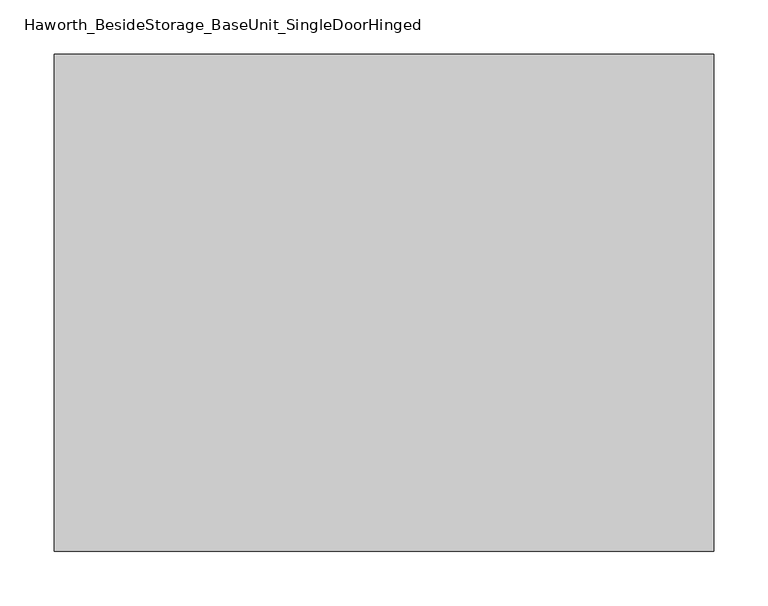
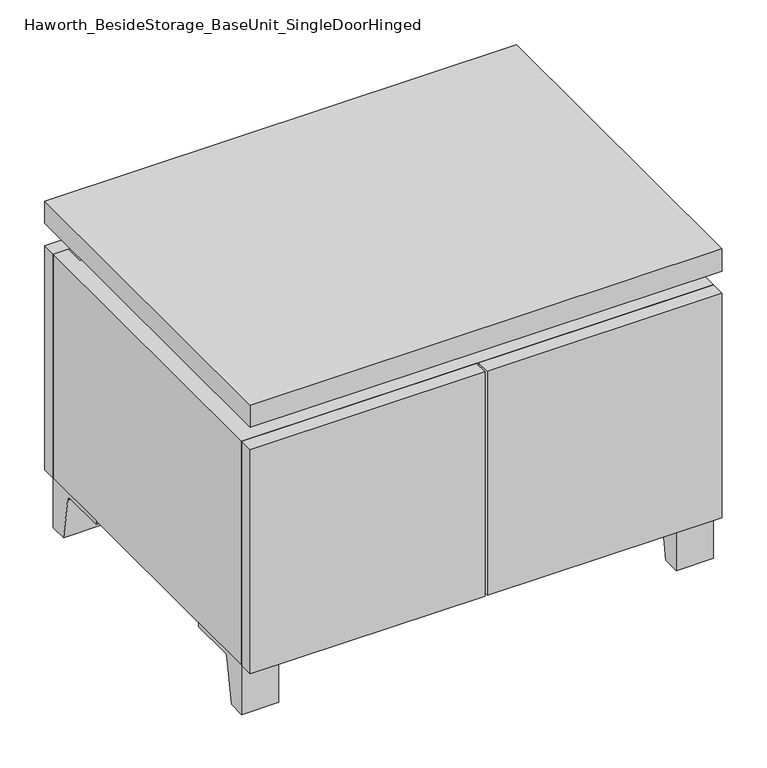
"""IFC4 building model written with IfcOpenShell, lengths in millimetres: furniture geometry, Haworth_BesideStorage_BaseUnit_SingleDoorHinged."""

from ifc_helpers import new_model, si_unit, point, frame, frame_2d, origin, place, context, project, spatial, polyline, circle_curve, trimmed, segment, composite_curve, outline, extrude, faceted_brep, source, transform, mapped, element, save


def haworth_besidestorage_baseunit_singledoorhinged_61084fc2(model_context):
    return source(origin(), model_context, "Body", "SolidModel", [
        extrude(outline(composite_curve([segment(polyline([(-129.6458469, 0.0), (-152.4, 0.0), (-152.4, 66.675), (-57.15, 66.675), (-57.15, 61.8963321), (-113.9505345, 61.8963321)]), True, "CONTINUOUS"), segment(trimmed(circle_curve(frame_2d((-113.9505345, 55.5463321)), 6.35), [point((-113.9505345, 61.8963321))], [point((-120.2141359, 56.5902656))], True, "CARTESIAN"), True, "CONTINUOUS"), segment(polyline([(-120.2141359, 56.5902656), (-129.6458469, 0.0)]), True, "CONTINUOUS")], self_intersect=False)), frame((255.6013906, 0.0, 0.0), z_axis=(1.0, 0.0, 0.0), x_axis=(0.0, 1.0, 0.0)), (0.0, 0.0, 1.0), 47.625),
        extrude(outline(composite_curve([segment(polyline([(243.9458469, 0.0), (234.5141359, 56.5902656)]), True, "CONTINUOUS"), segment(trimmed(circle_curve(frame_2d((228.2505345, 55.5463321)), 6.35), [point((234.5141359, 56.5902656))], [point((228.2505345, 61.8963321))], True, "CARTESIAN"), True, "CONTINUOUS"), segment(polyline([(228.2505345, 61.8963321), (171.45, 61.8963321), (171.45, 66.675), (266.7, 66.675), (266.7, 0.0), (243.9458469, 0.0)]), True, "CONTINUOUS")], self_intersect=False)), frame((255.6013906, 0.0, 0.0), z_axis=(1.0, 0.0, 0.0), x_axis=(0.0, 1.0, 0.0)), (0.0, 0.0, 1.0), 47.625),
        extrude(outline(composite_curve([segment(polyline([(-129.6458469, 0.0), (-152.4, 0.0), (-152.4, 66.675), (-57.15, 66.675), (-57.15, 61.8963321), (-113.9505345, 61.8963321)]), True, "CONTINUOUS"), segment(trimmed(circle_curve(frame_2d((-113.9505345, 55.5463321)), 6.35), [point((-113.9505345, 61.8963321))], [point((-120.2141359, 56.5902656))], True, "CARTESIAN"), True, "CONTINUOUS"), segment(polyline([(-120.2141359, 56.5902656), (-129.6458469, 0.0)]), True, "CONTINUOUS")], self_intersect=False)), frame((-303.1986094, 0.0, 0.0), z_axis=(1.0, 0.0, 0.0), x_axis=(0.0, 1.0, 0.0)), (0.0, 0.0, 1.0), 47.625),
        extrude(outline(composite_curve([segment(polyline([(243.9458469, 0.0), (234.5141359, 56.5902656)]), True, "CONTINUOUS"), segment(trimmed(circle_curve(frame_2d((228.2505345, 55.5463321)), 6.35), [point((234.5141359, 56.5902656))], [point((228.2505345, 61.8963321))], True, "CARTESIAN"), True, "CONTINUOUS"), segment(polyline([(228.2505345, 61.8963321), (171.45, 61.8963321), (171.45, 66.675), (266.7, 66.675), (266.7, 0.0), (243.9458469, 0.0)]), True, "CONTINUOUS")], self_intersect=False)), frame((-303.1986094, 0.0, 0.0), z_axis=(1.0, 0.0, 0.0), x_axis=(0.0, 1.0, 0.0)), (0.0, 0.0, 1.0), 47.625),
        faceted_brep([(-303.1986094, -152.4, 66.675), (303.2125, -152.4, 66.675), (303.2125, -152.4, 371.475), (-303.1986094, -152.4, 371.475), (-284.1486094, -152.4, 85.725), (-284.1486094, -152.4, 352.425), (284.1694453, -152.4, 352.425), (284.1486094, -152.4, 85.725), (-303.1986094, 266.7, 66.675), (-303.1986094, 266.7, 371.475), (-284.1486094, 266.7, 371.475), (-284.1486094, 266.7, 85.725), (284.1486094, 266.7, 85.725), (284.1486094, 266.7, 371.475), (303.2125, 266.7, 371.475), (303.2125, 266.7, 66.675), (284.1486094, 241.3, 371.475), (-284.1416641, 241.3, 371.475), (-284.1486094, 241.3, 352.425), (284.1486094, 241.3, 352.425)], [[[0, 1, 2, 3], [4, 5, 6, 7]], [[8, 9, 10, 11, 12, 13, 14, 15]], [[1, 0, 8, 15]], [[2, 1, 15, 14]], [[3, 2, 14, 13, 16, 17, 10, 9]], [[0, 3, 9, 8]], [[11, 10, 17, 18, 5, 4]], [[13, 12, 7, 6, 19, 16]], [[4, 7, 12, 11]], [[6, 5, 18, 19]], [[17, 16, 19, 18]]]),
        extrude(outline(polyline([(303.2263906, -171.45), (-303.1986094, -171.45), (-303.1986094, 285.75), (303.2263906, 285.75), (303.2263906, -171.45)])), frame((0.0, 0.0, 401.6375), z_axis=(0.0, 0.0, 1.0), x_axis=(1.0, 0.0, 0.0)), (0.0, 0.0, 1.0), 30.1625),
        faceted_brep([(7.9513906, -76.2, 401.6375), (7.9513906, -76.2, 371.475), (7.9513906, 47.625, 371.475), (7.9513906, 47.625, 401.6375), (7.9513906, 190.5, 371.475), (7.9513906, 190.5, 401.6375), (7.9513906, 66.675, 401.6375), (7.9513906, 66.675, 371.475), (-7.9236094, 190.5, 401.6375), (-7.9236094, 190.5, 371.475), (-7.9236094, 66.675, 371.475), (-7.9236094, 66.675, 401.6375), (-7.9236094, -76.2, 371.475), (-7.9236094, -76.2, 401.6375), (-7.9236094, 47.625, 401.6375), (-7.9236094, 47.625, 371.475), (-261.8958281, 66.675, 401.6375), (-261.9166641, 241.3, 401.6375), (-277.7916641, 241.3, 401.6375), (-277.7916641, -127.0, 401.6375), (-261.9166641, -127.0, 401.6375), (-261.9166641, 47.625, 401.6375), (261.9236094, 47.625, 401.6375), (261.9236094, -127.0, 401.6375), (277.7986094, -127.0, 401.6375), (277.7986094, 241.3, 401.6375), (261.9236094, 241.3, 401.6375), (261.9236094, 66.675, 401.6375), (-261.8958281, 47.625, 371.475), (-261.9166641, -127.0, 371.475), (-277.7916641, -127.0, 371.475), (-277.7916641, 241.3, 371.475), (-261.9166641, 241.3, 371.475), (-261.9166641, 66.675, 371.475), (261.9236094, 66.675, 371.475), (261.9236094, 241.3, 371.475), (277.7986094, 241.3, 371.475), (277.7986094, -127.0, 371.475), (261.9236094, -127.0, 371.475), (261.9236094, 47.625, 371.475)], [[[0, 1, 2, 3]], [[4, 5, 6, 7]], [[8, 9, 10, 11]], [[12, 13, 14, 15]], [[5, 8, 11, 16, 17, 18, 19, 20, 21, 14, 13, 0, 3, 22, 23, 24, 25, 26, 27, 6]], [[1, 12, 15, 28, 29, 30, 31, 32, 33, 10, 9, 4, 7, 34, 35, 36, 37, 38, 39, 2]], [[5, 4, 9, 8]], [[1, 0, 13, 12]], [[6, 27, 34, 7]], [[22, 3, 2, 39]], [[20, 29, 28, 21]], [[32, 17, 16, 33]], [[18, 31, 30, 19]], [[29, 20, 19, 30]], [[17, 32, 31, 18]], [[26, 35, 34, 27]], [[38, 23, 22, 39]], [[25, 24, 37, 36]], [[23, 38, 37, 24]], [[35, 26, 25, 36]], [[16, 11, 10, 33]], [[14, 21, 28, 15]]]),
        extrude(outline(polyline([(303.2263906, 266.7), (-303.1986094, 266.7), (-303.1986094, 285.75), (303.2263906, 285.75), (303.2263906, 266.7)])), frame((0.0, 0.0, 66.675), z_axis=(0.0, 0.0, 1.0), x_axis=(1.0, 0.0, 0.0)), (0.0, 0.0, 1.0), 304.8),
        extrude(outline(polyline([(-284.1416641, 196.85), (-284.1416641, 203.2), (284.1694453, 203.2), (284.1694453, 196.85), (-284.1416641, 196.85)])), frame((0.0, 0.0, 85.725), z_axis=(0.0, 0.0, 1.0), x_axis=(1.0, 0.0, 0.0)), (0.0, 0.0, 1.0), 266.7),
        extrude(outline(polyline([(1.6013906, -171.45), (1.6013906, -152.4), (303.2263906, -152.4), (303.2263906, -171.45), (1.6013906, -171.45)])), frame((0.0, 0.0, 66.675), z_axis=(0.0, 0.0, 1.0), x_axis=(1.0, 0.0, 0.0)), (0.0, 0.0, 1.0), 304.8),
        extrude(outline(polyline([(-1.5736094, -171.45), (-303.1986094, -171.45), (-303.1986094, -152.4), (-1.5736094, -152.4), (-1.5736094, -171.45)])), frame((0.0, 0.0, 66.675), z_axis=(0.0, 0.0, 1.0), x_axis=(1.0, 0.0, 0.0)), (0.0, 0.0, 1.0), 304.8),
    ])


if __name__ == "__main__":
    model = new_model("IFC4")
    model_context = context("Model", 3, world=origin())
    ifc_project = project(units=[si_unit("LENGTHUNIT", "METRE", prefix="MILLI")], contexts=[model_context])
    site = spatial("IfcSite", under=ifc_project)
    building = spatial("IfcBuilding", under=site)
    placement = place(None, origin())
    haworth_besidestorage_baseunit_singledoorhinged_shape = haworth_besidestorage_baseunit_singledoorhinged_61084fc2(model_context)
    element("IfcFurniture", 1, ObjectType="Haworth_BesideStorage_BaseUnit_SingleDoorHinged", at=placement, inside=building, context=model_context, shape_type="MappedRepresentation", body=[
        mapped(haworth_besidestorage_baseunit_singledoorhinged_shape, transform((0.0, 0.0, 0.0), x_axis=(1.0, 0.0, 0.0), y_axis=(0.0, 1.0, 0.0), z_axis=(0.0, 0.0, 1.0))),
    ])
    save(model, "model.ifc")
